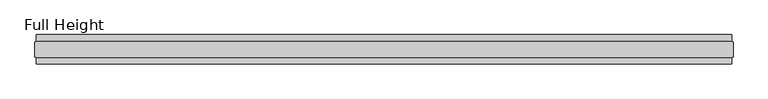
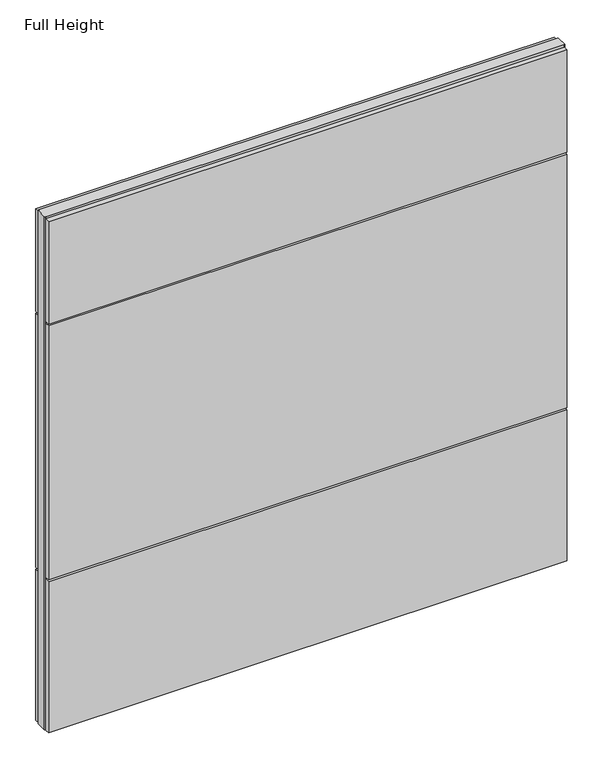
"""IFC4 building model written with IfcOpenShell, lengths in millimetres: plate geometry, Full Height."""

from ifc_helpers import new_model, si_unit, frame, origin, origin_with_axes, place, context, project, spatial, polyline, outline, extrude, source, transform, mapped, element, save


def full_height_2446d968(model_context):
    return source(origin(), model_context, "Body", "SweptSolid", [
        extrude(outline(polyline([(1170.178, 28.956), (-1170.178, 28.956), (-1170.178, 49.53), (1170.178, 49.53), (1170.178, 28.956)])), frame((0.0, 0.0, 1949.196), z_axis=(0.0, 0.0, 1.0), x_axis=(1.0, 0.0, 0.0)), (0.0, 0.0, 1.0), 488.696),
        extrude(outline(polyline([(1170.178, 28.956), (-1170.178, 28.956), (-1170.178, 49.53), (1170.178, 49.53), (1170.178, 28.956)])), frame((0.0, 0.0, 729.996), z_axis=(0.0, 0.0, 1.0), x_axis=(1.0, 0.0, 0.0)), (0.0, 0.0, 1.0), 1210.056),
        extrude(outline(polyline([(1170.178, 28.956), (-1170.178, 28.956), (-1170.178, 49.53), (1170.178, 49.53), (1170.178, 28.956)])), origin_with_axes(), (0.0, 0.0, 1.0), 720.852),
        extrude(outline(polyline([(1170.178, -28.956), (1170.178, -49.53), (-1170.178, -49.53), (-1170.178, -28.956), (1170.178, -28.956)])), frame((0.0, 0.0, 1949.196), z_axis=(0.0, 0.0, 1.0), x_axis=(1.0, 0.0, 0.0)), (0.0, 0.0, 1.0), 488.696),
        extrude(outline(polyline([(1170.178, -28.956), (1170.178, -49.53), (-1170.178, -49.53), (-1170.178, -28.956), (1170.178, -28.956)])), frame((0.0, 0.0, 729.996), z_axis=(0.0, 0.0, 1.0), x_axis=(1.0, 0.0, 0.0)), (0.0, 0.0, 1.0), 1210.056),
        extrude(outline(polyline([(1170.178, -28.956), (1170.178, -49.53), (-1170.178, -49.53), (-1170.178, -28.956), (1170.178, -28.956)])), origin_with_axes(), (0.0, 0.0, 1.0), 720.852),
        extrude(outline(polyline([(1170.178, -25.146), (1170.178, -26.67), (-1170.178, -26.67), (-1170.178, -25.146), (-1174.75, -25.146), (-1174.75, 25.146), (-1170.178, 25.146), (-1170.178, 26.67), (1170.178, 26.67), (1170.178, 25.146), (1174.75, 25.146), (1174.75, -25.146), (1170.178, -25.146)])), origin_with_axes(), (0.0, 0.0, 1.0), 2447.036),
    ])


if __name__ == "__main__":
    model = new_model("IFC4")
    model_context = context("Model", 3, world=origin())
    ifc_project = project(units=[si_unit("LENGTHUNIT", "METRE", prefix="MILLI")], contexts=[model_context])
    site = spatial("IfcSite", under=ifc_project)
    building = spatial("IfcBuilding", under=site)
    placement = place(None, origin())
    full_height_shape = full_height_2446d968(model_context)
    element("IfcPlate", 1, ObjectType="Full Height", at=placement, inside=building, context=model_context, shape_type="MappedRepresentation", body=[
        mapped(full_height_shape, transform((0.0, 0.0, 0.0), x_axis=(1.0, 0.0, 0.0), y_axis=(0.0, 1.0, 0.0), z_axis=(0.0, 0.0, 1.0))),
    ])
    save(model, "model.ifc")
